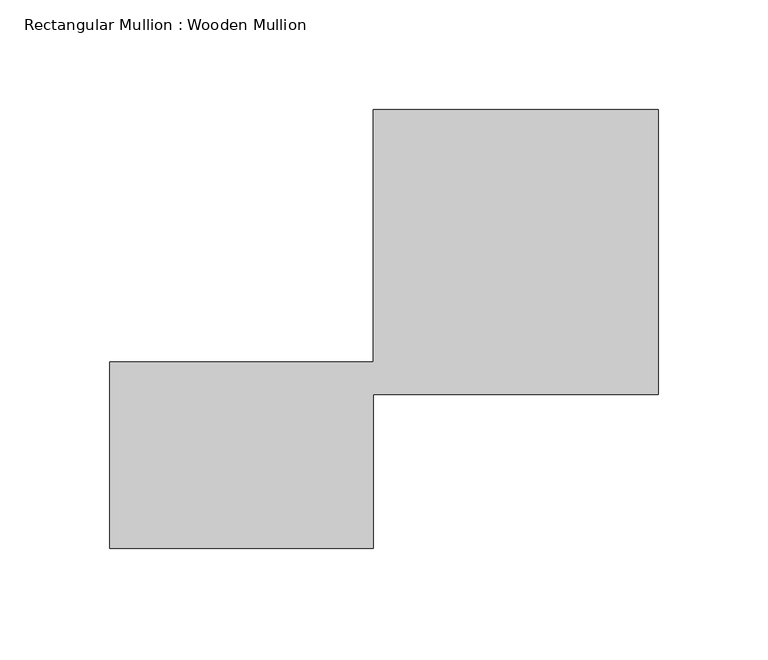
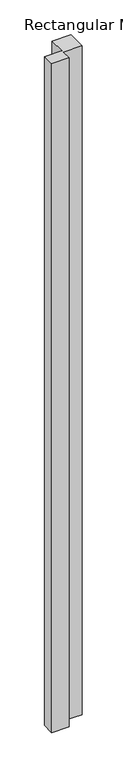
"""IFC4 building model written with IfcOpenShell, lengths in millimetres: member geometry, Rectangular Mullion : Wooden Mullion."""

from ifc_helpers import new_model, si_unit, frame, origin, place, context, project, spatial, polyline, outline, extrude, source, transform, mapped, element, save


def rectangular_mullion_wooden_mullion_1aae19ae(model_context):
    return source(origin(), model_context, "Body", "SweptSolid", [
        extrude(outline(polyline([(74.8100006, -26.0137344), (-45.1899994, -26.0137344), (-45.1899994, 58.9862656), (74.8100006, 58.9862656), (74.8100006, 173.9862656), (204.8100006, 173.9862656), (204.8100006, 43.9862656), (74.8100006, 43.9862656), (74.8100006, -26.0137344)])), frame((0.0, 0.0, -4837.9267175), z_axis=(0.0, 0.0, 1.0), x_axis=(1.0, 0.0, 0.0)), (0.0, 0.0, 1.0), 4837.9267175),
    ])


if __name__ == "__main__":
    model = new_model("IFC4")
    model_context = context("Model", 3, world=origin())
    ifc_project = project(units=[si_unit("LENGTHUNIT", "METRE", prefix="MILLI")], contexts=[model_context])
    site = spatial("IfcSite", under=ifc_project)
    building = spatial("IfcBuilding", under=site)
    placement = place(None, origin())
    rectangular_mullion_wooden_mullion_shape = rectangular_mullion_wooden_mullion_1aae19ae(model_context)
    element("IfcMember", 1, ObjectType="Rectangular Mullion : Wooden Mullion", at=placement, inside=building, context=model_context, shape_type="MappedRepresentation", body=[
        mapped(rectangular_mullion_wooden_mullion_shape, transform((0.0, 0.0, 0.0), x_axis=(1.0, 0.0, 0.0), y_axis=(0.0, 1.0, 0.0), z_axis=(0.0, 0.0, 1.0))),
    ])
    save(model, "model.ifc")
